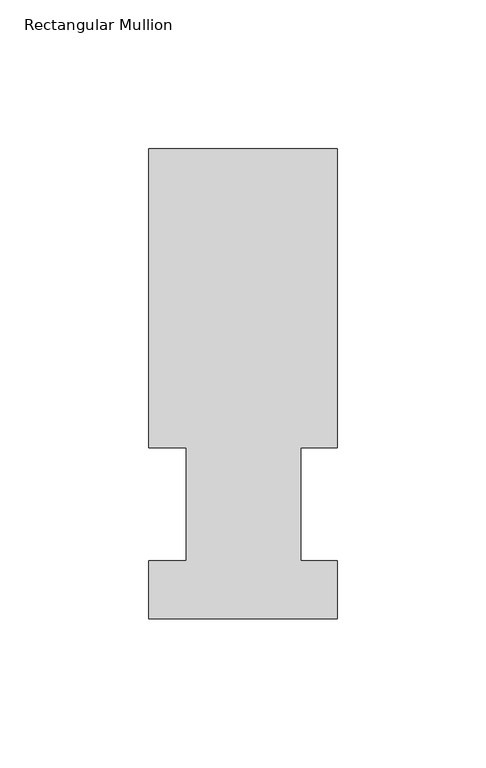
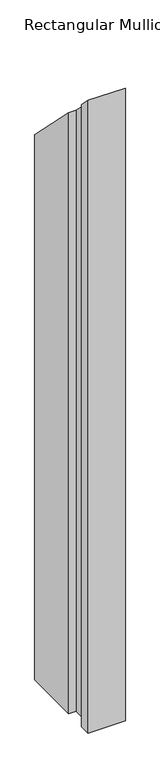
"""IFC4 building model written with IfcOpenShell, lengths in millimetres: member geometry, Rectangular Mullion."""

from ifc_helpers import new_model, si_unit, origin, place, context, project, spatial, faceted_brep, source, transform, mapped, element, save


def rectangular_mullion_df4bb8b3(model_context):
    return source(origin(), model_context, "Body", "Brep", [
        faceted_brep([(-63.5, 57.6460937, -1143.0134937), (-63.5, 158.3316937, -1143.0134937), (0.0, 158.3316937, -1143.0134937), (0.0, 57.6460937, -1143.0134937), (-12.3418395, 57.6460937, -1143.0134937), (-12.3418395, 19.5460937, -1143.0134937), (0.0, 19.5460937, -1143.0134937), (0.0, 0.0134937, -1143.0134937), (-63.5, 0.0134937, -1143.0134937), (-63.5, 19.5460937, -1143.0134937), (-50.8, 19.5460937, -1143.0134937), (-50.8, 57.6460937, -1143.0134937), (-50.8, 57.6460937, -57.6460937), (-63.5, 57.6460937, -57.6460937), (-50.8, 19.5460937, -19.5460937), (-63.5, 19.5460937, -19.5460937), (-63.5, 0.0134937, -0.0134937), (0.0, 0.0134937, -0.0134937), (0.0, 19.5460937, -19.5460937), (-12.3418395, 19.5460937, -19.5460937), (-12.3418395, 57.6460937, -57.6460938), (0.0, 57.6460938, -57.6460938), (0.0, 158.3316937, -158.3316937), (-63.5, 158.3316937, -158.3316937)], [[[0, 1, 2, 3, 4, 5, 6, 7, 8, 9, 10, 11]], [[12, 13, 0, 11]], [[14, 12, 11, 10]], [[15, 14, 10, 9]], [[16, 15, 9, 8]], [[17, 16, 8, 7]], [[18, 17, 7, 6]], [[19, 18, 6, 5]], [[20, 19, 5, 4]], [[21, 20, 4, 3]], [[22, 21, 3, 2]], [[23, 22, 2, 1]], [[13, 23, 1, 0]], [[13, 12, 14, 15, 16, 17, 18, 19, 20, 21, 22, 23]]]),
    ])


if __name__ == "__main__":
    model = new_model("IFC4")
    model_context = context("Model", 3, world=origin())
    ifc_project = project(units=[si_unit("LENGTHUNIT", "METRE", prefix="MILLI")], contexts=[model_context])
    site = spatial("IfcSite", under=ifc_project)
    building = spatial("IfcBuilding", under=site)
    placement = place(None, origin())
    rectangular_mullion_shape = rectangular_mullion_df4bb8b3(model_context)
    element("IfcMember", 1, ObjectType="Rectangular Mullion", at=placement, inside=building, context=model_context, shape_type="MappedRepresentation", body=[
        mapped(rectangular_mullion_shape, transform((0.0, 0.0, 0.0), x_axis=(1.0, 0.0, 0.0), y_axis=(0.0, 1.0, 0.0), z_axis=(0.0, 0.0, 1.0))),
    ])
    save(model, "model.ifc")
